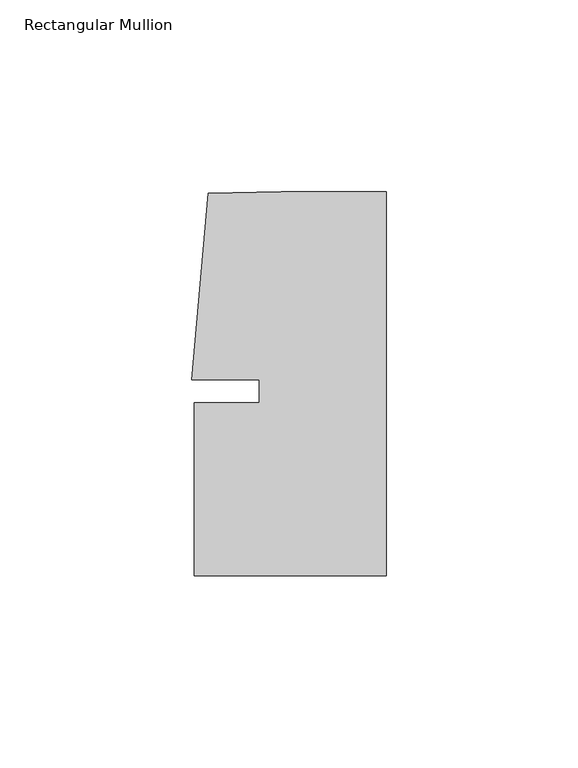
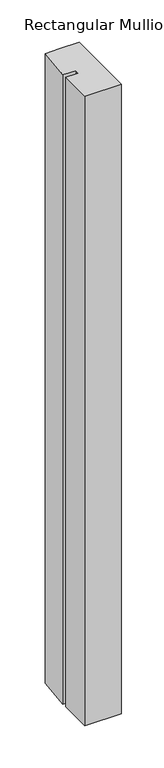
"""IFC4 building model written with IfcOpenShell, lengths in millimetres: member geometry, Rectangular Mullion."""

from ifc_helpers import new_model, si_unit, frame, origin, place, context, project, spatial, polyline, outline, extrude, source, transform, mapped, element, save


def rectangular_mullion_c5638258(model_context):
    return source(origin(), model_context, "Body", "SweptSolid", [
        extrude(outline(polyline([(-33.0004671, -3.0000287), (-33.0004665, 2.9999885), (-50.6129097, 2.9999903), (-46.3623019, 51.5846059), (-27.2554335, 51.9999707), (0.0, 51.999968), (-9.8e-06, -48.0000271), (-50.0000098, -48.0000271), (-50.0000054, -3.0000271), (-33.0004671, -3.0000287)])), frame((0.0, 0.0, -910.999327), z_axis=(0.0, 0.0, 1.0), x_axis=(1.0, 0.0, 0.0)), (0.0, 0.0, 1.0), 910.999327),
    ])


if __name__ == "__main__":
    model = new_model("IFC4")
    model_context = context("Model", 3, world=origin())
    ifc_project = project(units=[si_unit("LENGTHUNIT", "METRE", prefix="MILLI")], contexts=[model_context])
    site = spatial("IfcSite", under=ifc_project)
    building = spatial("IfcBuilding", under=site)
    placement = place(None, origin())
    rectangular_mullion_shape = rectangular_mullion_c5638258(model_context)
    element("IfcMember", 1, ObjectType="Rectangular Mullion", at=placement, inside=building, context=model_context, shape_type="MappedRepresentation", body=[
        mapped(rectangular_mullion_shape, transform((0.0, 0.0, 0.0), x_axis=(1.0, 0.0, 0.0), y_axis=(0.0, 1.0, 0.0), z_axis=(0.0, 0.0, 1.0))),
    ])
    save(model, "model.ifc")
